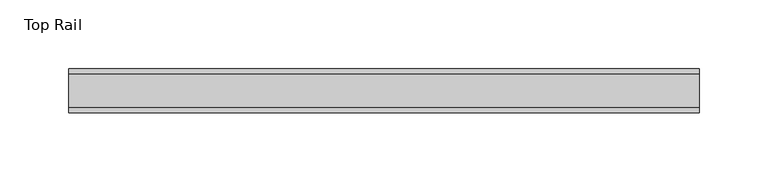
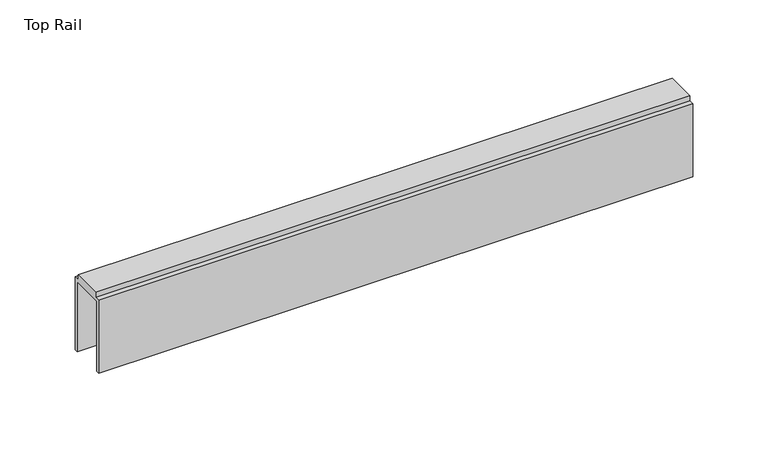
"""IFC4 building model written with IfcOpenShell, lengths in millimetres: furniture geometry, Top Rail."""

from ifc_helpers import new_model, si_unit, frame, origin, place, context, project, spatial, polyline, outline, extrude, source, transform, mapped, element, save


def top_rail_427f21e8(model_context):
    return source(origin(), model_context, "Body", "SweptSolid", [
        extrude(outline(polyline([(31.376805, -4.0000001), (31.376805, -63.5), (28.5768064, -63.5), (28.5768064, -6.6000002), (2.4268037, -6.6000002), (2.4268037, -63.5), (-0.373195, -63.5), (-0.373195, -4.0000001), (3.6268038, -4.0000001), (3.6268038, 0.0), (27.3768063, 0.0), (27.3768063, -4.0000001), (31.376805, -4.0000001)])), frame((-198.6228469, 0.0, 0.0), z_axis=(1.0, 0.0, 0.0), x_axis=(0.0, 1.0, 0.0)), (0.0, 0.0, 1.0), 457.2),
    ])


if __name__ == "__main__":
    model = new_model("IFC4")
    model_context = context("Model", 3, world=origin())
    ifc_project = project(units=[si_unit("LENGTHUNIT", "METRE", prefix="MILLI")], contexts=[model_context])
    site = spatial("IfcSite", under=ifc_project)
    building = spatial("IfcBuilding", under=site)
    placement = place(None, origin())
    top_rail_shape = top_rail_427f21e8(model_context)
    element("IfcFurniture", 1, ObjectType="Top Rail", at=placement, inside=building, context=model_context, shape_type="MappedRepresentation", body=[
        mapped(top_rail_shape, transform((0.0, 0.0, 0.0), x_axis=(1.0, 0.0, 0.0), y_axis=(0.0, 1.0, 0.0), z_axis=(0.0, 0.0, 1.0))),
    ])
    save(model, "model.ifc")
